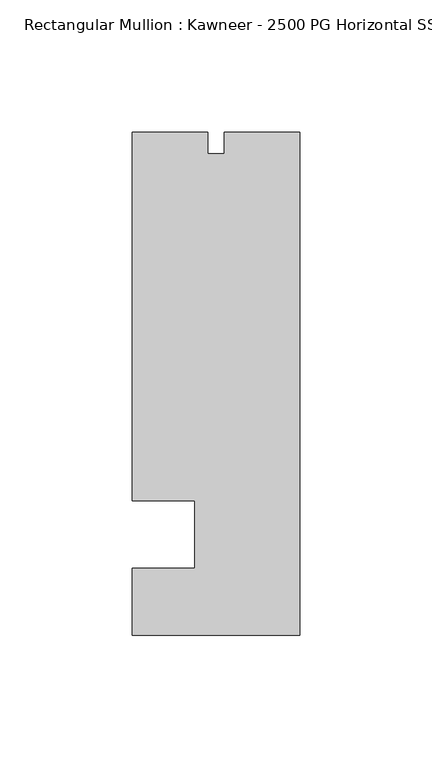
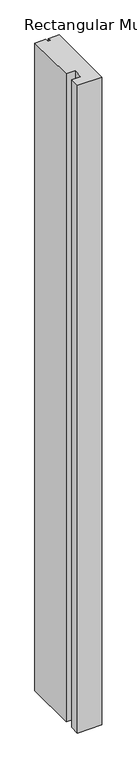
"""IFC4 building model written with IfcOpenShell, lengths in millimetres: member geometry, Rectangular Mullion : Kawneer - 2500 PG Horizontal SSG - Mullion_Jamb L."""

import ifcopenshell
import ifcopenshell.guid

model = None  # the IFC model being written
_history = None  # IfcOwnerHistory: only IFC2X3 demands one
_inside = {}  # id of a spatial element -> (the spatial element, [elements in it])
_under = {}  # id of a project, library or spatial element -> (it, [spatial elements below it])
_declared = {}  # id of a project -> (the project, [libraries it declares])
_typed = {}  # id of a type object -> (the type object, [elements of that type])
_made_of = {}  # id of a material, layer set ... -> (it, [elements and type objects made of it])


def new_model(schema):
    """Start an empty IFC model of exactly this schema.

    Asked for "IFC4X3", IfcOpenShell would pick the latest addendum, in which some entities
    have other attributes; the version numbers below select the first issue.
    IFC2X3 requires an IfcOwnerHistory on every rooted entity: one is made here for all.
    """
    global model, _history
    if schema == "IFC4X3":
        model = ifcopenshell.file(schema_version=(4, 3, 0, 0))
    else:
        model = ifcopenshell.file(schema=schema)
    _inside.clear()
    _under.clear()
    _declared.clear()
    _typed.clear()
    _made_of.clear()
    _history = None
    if model.schema == "IFC2X3":
        org = make("IfcOrganization", Name="unknown")
        user = make(
            "IfcPersonAndOrganization",
            ThePerson=make("IfcPerson", FamilyName="unknown"),
            TheOrganization=org,
        )
        app = make(
            "IfcApplication",
            ApplicationDeveloper=org,
            Version="unknown",
            ApplicationFullName="unknown",
            ApplicationIdentifier="unknown",
        )
        _history = make(
            "IfcOwnerHistory",
            OwningUser=user,
            OwningApplication=app,
            ChangeAction="ADDED",
            CreationDate=0,
        )
    return model


def make(cls, **values):
    """One entity of the class cls with the attributes given. An attribute that is None is left unset."""
    return model.create_entity(
        cls, **{name: value for name, value in values.items() if value is not None}
    )


def rooted(cls, **values):
    """An entity with a GlobalId (a new one), such as an element, a storey or a relation."""
    return make(cls, GlobalId=ifcopenshell.guid.new(), OwnerHistory=_history, **values)


def si_unit(unit_type, name, prefix=None):
    """IfcSIUnit, for example si_unit("LENGTHUNIT", "METRE", prefix="MILLI")."""
    return make("IfcSIUnit", UnitType=unit_type, Prefix=prefix, Name=name)


def assignment(units):
    """IfcUnitAssignment: the units of a project."""
    return None if units is None else make("IfcUnitAssignment", Units=units)


def point(xyz):
    """IfcCartesianPoint."""
    return None if xyz is None else make("IfcCartesianPoint", Coordinates=xyz)


def direction(xyz):
    """IfcDirection."""
    return None if xyz is None else make("IfcDirection", DirectionRatios=xyz)


def frame(location, z_axis=None, x_axis=None):
    """IfcAxis2Placement3D, a coordinate frame: its origin and axes. An axis left out is left unset."""
    return make(
        "IfcAxis2Placement3D",
        Location=point(location),
        Axis=direction(z_axis),
        RefDirection=direction(x_axis),
    )


def origin():
    """The frame at (0, 0, 0) with its axes left unset."""
    return frame((0.0, 0.0, 0.0))


def place(relative_to, where):
    """IfcLocalPlacement: puts the frame where relative to a parent placement (None: the world)."""
    return make(
        "IfcLocalPlacement", PlacementRelTo=relative_to, RelativePlacement=where
    )


def context(
    kind, dimensions, precision=None, world=None, true_north=None, identifier=None
):
    """IfcGeometricRepresentationContext, for example the 3D "Model" context."""
    return make(
        "IfcGeometricRepresentationContext",
        ContextIdentifier=identifier,
        ContextType=kind,
        CoordinateSpaceDimension=dimensions,
        Precision=precision,
        WorldCoordinateSystem=world,
        TrueNorth=true_north,
    )


def project(units=None, contexts=None):
    """IfcProject with its units and contexts."""
    return rooted(
        "IfcProject",
        Name="project",
        RepresentationContexts=contexts,
        UnitsInContext=assignment(units),
    )


def spatial(cls, under=None, at=None, **own):
    """A site, building, storey or space (cls), placed at a placement, below another one or the project."""
    s = rooted(cls, ObjectPlacement=at, **own)
    if under is not None:
        _under.setdefault(under.id(), (under, []))[1].append(s)
    return s


def polyline(points):
    """IfcPolyline through the points."""
    return make("IfcPolyline", Points=[point(p) for p in points])


def outline(outer, holes=None, kind="AREA"):
    """IfcArbitraryClosedProfileDef: a profile drawn as a closed curve; with holes, ...WithVoids."""
    if holes is None:
        return make("IfcArbitraryClosedProfileDef", ProfileType=kind, OuterCurve=outer)
    return make(
        "IfcArbitraryProfileDefWithVoids",
        ProfileType=kind,
        OuterCurve=outer,
        InnerCurves=holes,
    )


def extrude(swept, where, along, depth):
    """IfcExtrudedAreaSolid: the profile swept, set in the frame where, extruded along a direction by depth."""
    return make(
        "IfcExtrudedAreaSolid",
        SweptArea=swept,
        Position=where,
        ExtrudedDirection=direction(along),
        Depth=depth,
    )


def shape(context_of_items, identifier, shape_type, items):
    """IfcShapeRepresentation: the items that make up one representation, for example the "Body"."""
    return make(
        "IfcShapeRepresentation",
        ContextOfItems=context_of_items,
        RepresentationIdentifier=identifier,
        RepresentationType=shape_type,
        Items=items,
    )


def source(mapping_origin, context_of_items, identifier, shape_type, items):
    """IfcRepresentationMap: a shape defined once, which mapped items show again and again."""
    return make(
        "IfcRepresentationMap",
        MappingOrigin=mapping_origin,
        MappedRepresentation=shape(context_of_items, identifier, shape_type, items),
    )


def transform(
    local_origin,
    x_axis=None,
    y_axis=None,
    z_axis=None,
    scale=None,
    scale2=None,
    scale3=None,
    uniform=True,
):
    """IfcCartesianTransformationOperator3D, or its non-uniform kind. x_axis, y_axis, z_axis: its Axis1, 2, 3."""
    if uniform:
        return make(
            "IfcCartesianTransformationOperator3D",
            Axis1=direction(x_axis),
            Axis2=direction(y_axis),
            LocalOrigin=point(local_origin),
            Scale=scale,
            Axis3=direction(z_axis),
        )
    return make(
        "IfcCartesianTransformationOperator3DnonUniform",
        Axis1=direction(x_axis),
        Axis2=direction(y_axis),
        LocalOrigin=point(local_origin),
        Scale=scale,
        Axis3=direction(z_axis),
        Scale2=scale2,
        Scale3=scale3,
    )


def mapped(mapping_source, mapping_target):
    """IfcMappedItem: shows the shape of a source again, moved by a transform."""
    return make(
        "IfcMappedItem", MappingSource=mapping_source, MappingTarget=mapping_target
    )


def made_of(thing, what):
    """Note that an element or type object is made of a material, layer set ...; save() writes the relation."""
    if what is not None:
        _made_of.setdefault(what.id(), (what, []))[1].append(thing)
    return thing


def element(
    cls,
    number,
    at=None,
    inside=None,
    cuts=None,
    type_object=None,
    material=None,
    context=None,
    identifier="Body",
    shape_type=None,
    held_by="IfcProductDefinitionShape",
    body=None,
    shapes=None,
    **own,
):
    """One element of the class cls, such as IfcWall. Its Tag is "e" and its number.

    at: its placement. inside: the storey or other place that contains it. cuts: it is an
    opening in that element (IfcRelVoidsElement). A single representation is given by context,
    identifier, shape_type and body (its items); several are given by shapes. held_by: the class
    of the entity that holds the representations. save() writes the other relations.
    """
    e = rooted(cls, Tag="e%d" % number, ObjectPlacement=at, **own)
    if body is not None:
        shapes = [shape(context, identifier, shape_type, body)]
    if shapes is not None:
        e.Representation = make(held_by, Representations=shapes)
    if inside is not None:
        _inside.setdefault(inside.id(), (inside, []))[1].append(e)
    if cuts is not None:
        rooted(
            "IfcRelVoidsElement", RelatingBuildingElement=cuts, RelatedOpeningElement=e
        )
    if type_object is not None:
        _typed.setdefault(type_object.id(), (type_object, []))[1].append(e)
    return made_of(e, material)


def aggregate(whole, parts):
    """IfcRelAggregates: a whole, such as a stair, and the parts it consists of."""
    return rooted("IfcRelAggregates", RelatingObject=whole, RelatedObjects=parts)


def save(model, path):
    """Write the relations noted so far, then the file.

    IfcRelAggregates (storeys below a building ...), IfcRelContainedInSpatialStructure (elements
    in a storey), IfcRelDefinesByType, IfcRelAssociatesMaterial and IfcRelDeclares: one each for
    every whole, place, type object, material and project.
    """
    for whole, parts in _under.values():
        aggregate(whole, parts)
    for where, things in _inside.values():
        rooted(
            "IfcRelContainedInSpatialStructure",
            RelatedElements=things,
            RelatingStructure=where,
        )
    for kind, things in _typed.values():
        rooted("IfcRelDefinesByType", RelatedObjects=things, RelatingType=kind)
    for what, things in _made_of.values():
        rooted("IfcRelAssociatesMaterial", RelatedObjects=things, RelatingMaterial=what)
    for by, libraries in _declared.values():
        rooted("IfcRelDeclares", RelatingContext=by, RelatedDefinitions=libraries)
    model.write(path)


def rectangular_mullion_kawneer_2500_pg_horizontal_ssg_mullion_b09125f9(model_context):
    return source(origin(), model_context, "Body", "SweptSolid", [
        extrude(outline(polyline([(-63.5, -95.25), (-63.5, -69.85), (-39.6875, -69.85), (-39.6875, -44.45), (-63.5, -44.45), (-63.5, 95.25), (-34.925, 95.25), (-34.925, 86.9442), (-28.575, 86.9442), (-28.575, 95.25), (0.0, 95.25), (0.0, -95.25), (-63.5, -95.25)])), frame((0.0, 0.0, -1774.4073029), z_axis=(0.0, 0.0, 1.0), x_axis=(1.0, 0.0, 0.0)), (0.0, 0.0, 1.0), 1774.4073029),
    ])


if __name__ == "__main__":
    model = new_model("IFC4")
    model_context = context("Model", 3, world=origin())
    ifc_project = project(units=[si_unit("LENGTHUNIT", "METRE", prefix="MILLI")], contexts=[model_context])
    site = spatial("IfcSite", under=ifc_project)
    building = spatial("IfcBuilding", under=site)
    placement = place(None, origin())
    rectangular_mullion_kawneer_2500_pg_horizontal_ssg_mullion_shape = rectangular_mullion_kawneer_2500_pg_horizontal_ssg_mullion_b09125f9(model_context)
    element("IfcMember", 1, ObjectType="Rectangular Mullion : Kawneer - 2500 PG Horizontal SSG - Mullion_Jamb L", at=placement, inside=building, context=model_context, shape_type="MappedRepresentation", body=[
        mapped(rectangular_mullion_kawneer_2500_pg_horizontal_ssg_mullion_shape, transform((0.0, 0.0, 0.0), x_axis=(1.0, 0.0, 0.0), y_axis=(0.0, 1.0, 0.0), z_axis=(0.0, 0.0, 1.0))),
    ])
    save(model, "model.ifc")
